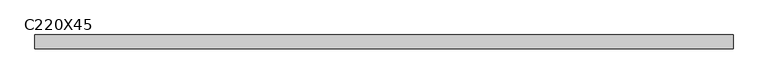
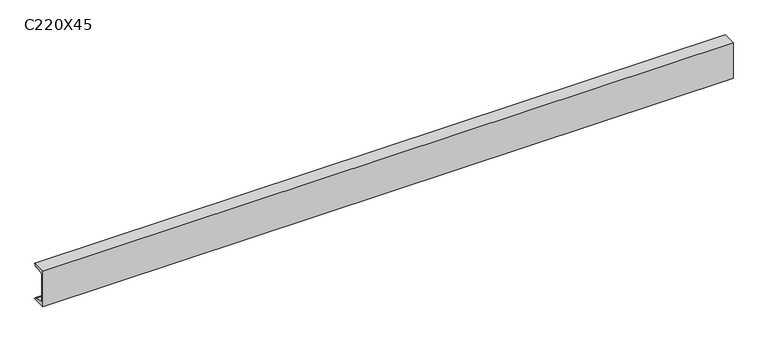
"""IFC4 building model written with IfcOpenShell, lengths in millimetres: beam geometry, C220X45."""

from ifc_helpers import new_model, si_unit, point, frame, frame_2d, origin, place, context, project, spatial, polyline, circle_curve, trimmed, segment, composite_curve, outline, extrude, source, transform, mapped, element, save


def c220x45_3ff67625(model_context):
    return source(origin(), model_context, "Body", "SweptSolid", [
        extrude(outline(composite_curve([segment(polyline([(-17.0, 110.0), (64.0, 110.0)]), True, "CONTINUOUS"), segment(trimmed(circle_curve(frame_2d((51.0, 110.0)), 13.0), [point((64.0, 110.0))], [point((51.0, 97.0))], False, "CARTESIAN"), True, "CONTINUOUS"), segment(polyline([(51.0, 97.0), (-4.0, 88.2888558), (-4.0, -88.2888558), (51.0, -97.0)]), True, "CONTINUOUS"), segment(trimmed(circle_curve(frame_2d((51.0, -110.0)), 13.0), [point((51.0, -97.0))], [point((64.0, -110.0))], False, "CARTESIAN"), True, "CONTINUOUS"), segment(polyline([(64.0, -110.0), (-17.0, -110.0), (-17.0, 110.0)]), True, "CONTINUOUS")], self_intersect=False)), frame((-1991.5, 0.0, 0.0), z_axis=(1.0, 0.0, 0.0), x_axis=(0.0, 1.0, 0.0)), (0.0, 0.0, 1.0), 4062.0),
    ])


if __name__ == "__main__":
    model = new_model("IFC4")
    model_context = context("Model", 3, world=origin())
    ifc_project = project(units=[si_unit("LENGTHUNIT", "METRE", prefix="MILLI")], contexts=[model_context])
    site = spatial("IfcSite", under=ifc_project)
    building = spatial("IfcBuilding", under=site)
    placement = place(None, origin())
    c220x45_shape = c220x45_3ff67625(model_context)
    element("IfcBeam", 1, ObjectType="C220X45", at=placement, inside=building, context=model_context, shape_type="MappedRepresentation", body=[
        mapped(c220x45_shape, transform((0.0, 0.0, 0.0), x_axis=(1.0, 0.0, 0.0), y_axis=(0.0, 1.0, 0.0), z_axis=(0.0, 0.0, 1.0))),
    ])
    save(model, "model.ifc")
